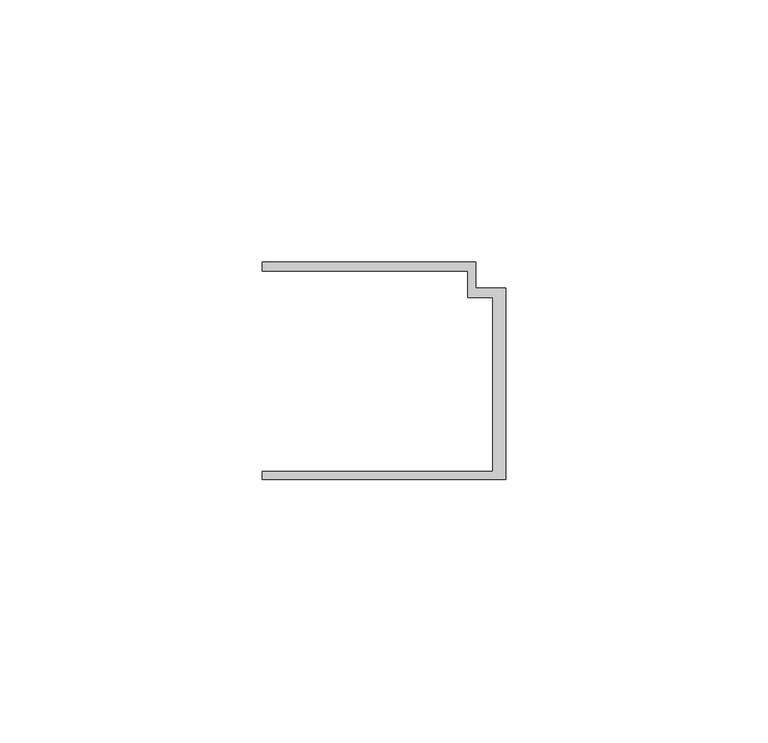
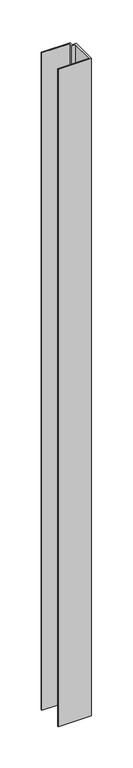
"""IFC4 building model written with IfcOpenShell, lengths in millimetres: member geometry."""

from ifc_helpers import new_model, si_unit, frame, origin, place, context, project, spatial, polyline, outline, extrude, source, transform, mapped, element, save


def member_f5beabbe(model_context):
    return source(origin(), model_context, "Body", "SweptSolid", [
        extrude(outline(polyline([(-46.3, -19.2), (-2.4, -19.2), (-2.4, 14.0), (-7.2, 14.0), (-7.2, 19.0), (-46.3, 19.0), (-46.3, 20.7), (-5.6999992, 20.7), (-5.6999992, 15.8), (0.0, 15.8), (0.0, -20.7), (-46.3, -20.7), (-46.3, -19.2)])), frame((0.0, 0.0, -972.3998979), z_axis=(0.0, 0.0, 1.0), x_axis=(1.0, 0.0, 0.0)), (0.0, 0.0, 1.0), 972.3998979),
    ])


if __name__ == "__main__":
    model = new_model("IFC4")
    model_context = context("Model", 3, world=origin())
    ifc_project = project(units=[si_unit("LENGTHUNIT", "METRE", prefix="MILLI")], contexts=[model_context])
    site = spatial("IfcSite", under=ifc_project)
    building = spatial("IfcBuilding", under=site)
    placement = place(None, origin())
    member_shape = member_f5beabbe(model_context)
    element("IfcMember", 1, at=placement, inside=building, context=model_context, shape_type="MappedRepresentation", body=[
        mapped(member_shape, transform((0.0, 0.0, 0.0), x_axis=(1.0, 0.0, 0.0), y_axis=(0.0, 1.0, 0.0), z_axis=(0.0, 0.0, 1.0))),
    ])
    save(model, "model.ifc")
